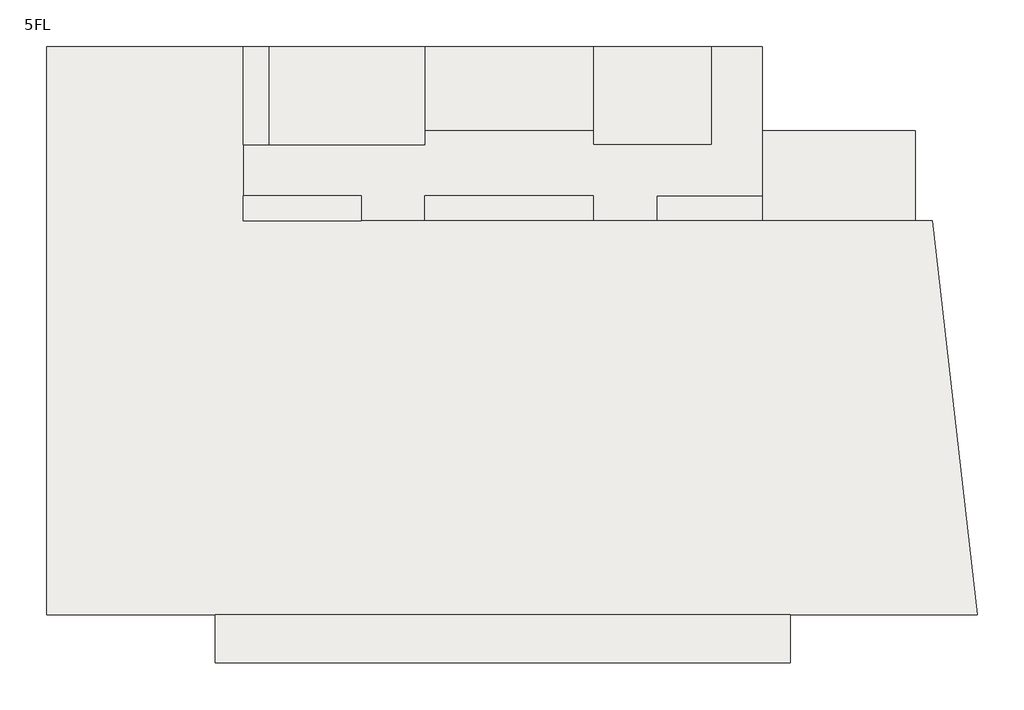
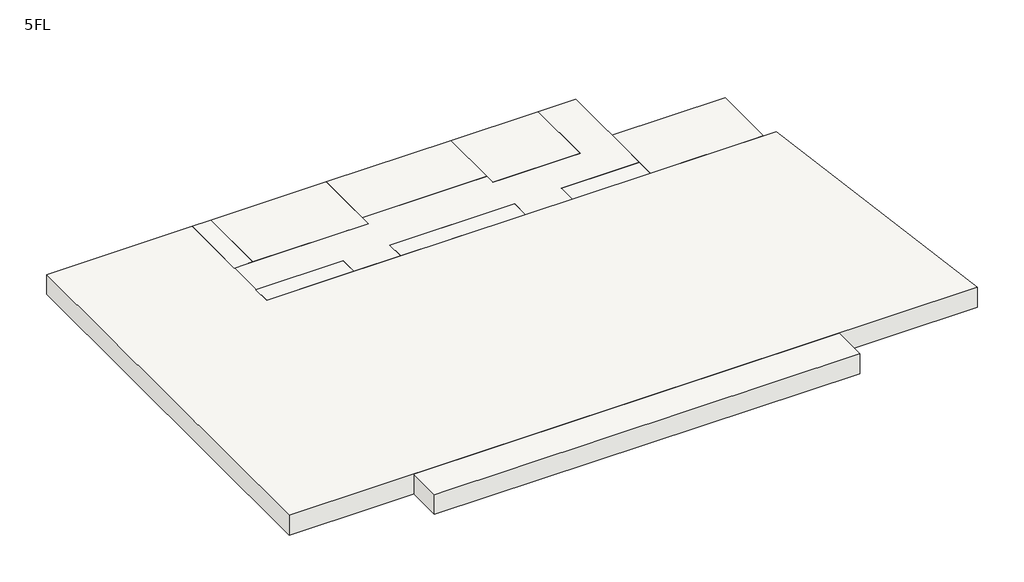
# One storey: 11 slabs.
"""IFC4 building model written with IfcOpenShell, lengths in millimetres."""

from ifc_helpers import new_model, si_unit, frame, origin, place, context, project, spatial, polyline, outline, extrude, element, save

model = new_model("IFC4")

# Units and contexts
model_context = context("Model", 3, world=origin())
ifc_project = project(units=[si_unit("LENGTHUNIT", "METRE", prefix="MILLI")], contexts=[model_context])

# Site, building, storey
site = spatial("IfcSite", under=ifc_project)
building = spatial("IfcBuilding", under=site)
storey = spatial("IfcBuildingStorey", under=building, Name="5FL", Elevation=16600.0)

# Slabs
placement = place(None, origin())
element("IfcSlab", 1, at=placement, inside=storey, context=model_context, shape_type="SweptSolid", body=[
    extrude(outline(polyline([(2054.0215975, 13649.6868987), (2054.0215975, 10449.6868987), (-3395.9784025, 10449.6868987), (-3395.9784025, 13649.6868987), (2054.0215975, 13649.6868987)])), frame((0.0, 0.0, 15600.0), z_axis=(0.0, 0.0, 1.0), x_axis=(1.0, 0.0, 0.0)), (0.0, 0.0, 1.0), 1000.0),
])
element("IfcSlab", 2, at=placement, inside=storey, context=model_context, shape_type="SweptSolid", body=[
    extrude(outline(polyline([(-3395.9784025, 11349.6868987), (-3395.9784025, 10449.6868987), (-7145.9784025, 10449.6868987), (-7145.9784025, 11349.6868987), (-3395.9784025, 11349.6868987)])), frame((0.0, 0.0, 15600.0), z_axis=(0.0, 0.0, 1.0), x_axis=(1.0, 0.0, 0.0)), (0.0, 0.0, 1.0), 1000.0),
])
element("IfcSlab", 3, at=placement, inside=storey, context=model_context, shape_type="SweptSolid", body=[
    extrude(outline(polyline([(-9395.9784025, 11349.6868987), (-9395.9784025, 10449.6868987), (-15395.9784025, 10449.6868987), (-15395.9784025, 11349.6868987), (-9395.9784025, 11349.6868987)])), frame((0.0, 0.0, 15600.0), z_axis=(0.0, 0.0, 1.0), x_axis=(1.0, 0.0, 0.0)), (0.0, 0.0, 1.0), 1000.0),
])
element("IfcSlab", 4, at=placement, inside=storey, context=model_context, shape_type="SweptSolid", body=[
    extrude(outline(polyline([(-17645.9784025, 11349.6868987), (-17645.9784025, 10449.6868987), (-21845.9784025, 10449.6868987), (-21845.9784025, 11349.6868987), (-17645.9784025, 11349.6868987)])), frame((0.0, 0.0, 15600.0), z_axis=(0.0, 0.0, 1.0), x_axis=(1.0, 0.0, 0.0)), (0.0, 0.0, 1.0), 1000.0),
])
element("IfcSlab", 5, at=placement, inside=storey, context=model_context, shape_type="SweptSolid", body=[
    extrude(outline(polyline([(-20945.9784025, 16649.6868987), (-20945.9784025, 13149.6868987), (-21845.9784025, 13149.6868987), (-21845.9784025, 16649.6868987), (-20945.9784025, 16649.6868987)])), frame((0.0, 0.0, 15600.0), z_axis=(0.0, 0.0, 1.0), x_axis=(1.0, 0.0, 0.0)), (0.0, 0.0, 1.0), 1000.0),
])
element("IfcSlab", 6, at=placement, inside=storey, context=model_context, shape_type="SweptSolid", body=[
    extrude(outline(polyline([(-9395.9784025, 16649.6868987), (-9395.9784025, 13649.6868987), (-15395.9784025, 13649.6868987), (-15395.9784025, 16649.6868987), (-9395.9784025, 16649.6868987)])), frame((0.0, 0.0, 15600.0), z_axis=(0.0, 0.0, 1.0), x_axis=(1.0, 0.0, 0.0)), (0.0, 0.0, 1.0), 1000.0),
])
element("IfcSlab", 7, at=placement, inside=storey, context=model_context, shape_type="SweptSolid", body=[
    extrude(outline(polyline([(-5195.9784025, 16649.6868987), (-5195.9784025, 13149.6868987), (-9395.9784025, 13149.6868987), (-9395.9784025, 16649.6868987), (-5195.9784025, 16649.6868987)])), frame((0.0, 0.0, 15600.0), z_axis=(0.0, 0.0, 1.0), x_axis=(1.0, 0.0, 0.0)), (0.0, 0.0, 1.0), 1000.0),
])
element("IfcSlab", 8, at=placement, inside=storey, context=model_context, shape_type="SweptSolid", body=[
    extrude(outline(polyline([(-15395.9784025, 16649.6868987), (-15395.9784025, 13149.6868987), (-20945.9784025, 13149.6868987), (-20945.9784025, 16649.6868987), (-15395.9784025, 16649.6868987)])), frame((0.0, 0.0, 15600.0), z_axis=(0.0, 0.0, 1.0), x_axis=(1.0, 0.0, 0.0)), (0.0, 0.0, 1.0), 1000.0),
])
element("IfcSlab", 9, at=placement, inside=storey, context=model_context, shape_type="SweptSolid", body=[
    extrude(outline(polyline([(-28845.9784025, -3550.3131013), (-28845.9784025, 16649.6868987), (-21845.9784025, 16649.6868987), (-21845.9784025, 10449.6868987), (2661.9595949, 10449.6868987), (4261.9595949, -3550.3131013), (-28845.9784025, -3550.3131013)])), frame((0.0, 0.0, 15600.0), z_axis=(0.0, 0.0, 1.0), x_axis=(1.0, 0.0, 0.0)), (0.0, 0.0, 1.0), 1000.0),
])
element("IfcSlab", 10, at=placement, inside=storey, context=model_context, shape_type="SweptSolid", body=[
    extrude(outline(polyline([(-15395.9784025, 13149.6868987), (-15395.9784025, 13649.6868987), (-9395.9784025, 13649.6868987), (-9395.9784025, 13149.6868987), (-5195.9784025, 13149.6868987), (-5195.9784025, 16649.6868987), (-3395.9784025, 16649.6868987), (-3395.9784025, 11349.6868987), (-7145.9784025, 11349.6868987), (-7145.9784025, 10449.6868987), (-9395.9784025, 10449.6868987), (-9395.9784025, 11349.6868987), (-15395.9784025, 11349.6868987), (-15395.9784025, 10449.6868987), (-17645.9784025, 10449.6868987), (-17645.9784025, 11349.6868987), (-21845.9784025, 11349.6868987), (-21845.9784025, 13149.6868987), (-15395.9784025, 13149.6868987)])), frame((0.0, 0.0, 15600.0), z_axis=(0.0, 0.0, 1.0), x_axis=(1.0, 0.0, 0.0)), (0.0, 0.0, 1.0), 1000.0),
])
element("IfcSlab", 11, at=placement, inside=storey, context=model_context, shape_type="SweptSolid", body=[
    extrude(outline(polyline([(-22845.9784025, -3550.3131013), (-2395.9784025, -3550.3131013), (-2395.9784025, -5273.2796189), (-22845.9784025, -5273.2796189), (-22845.9784025, -3550.3131013)])), frame((0.0, 0.0, 15600.0), z_axis=(0.0, 0.0, 1.0), x_axis=(1.0, 0.0, 0.0)), (0.0, 0.0, 1.0), 1000.0),
])

save(model, "model.ifc")
